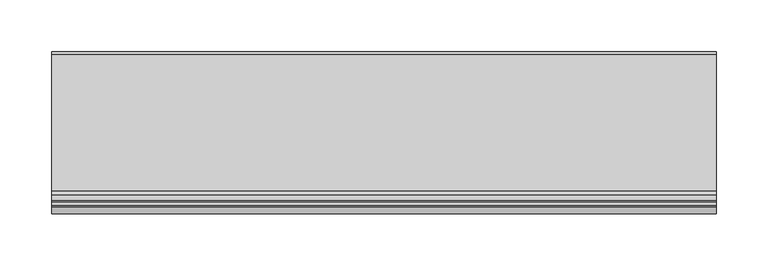
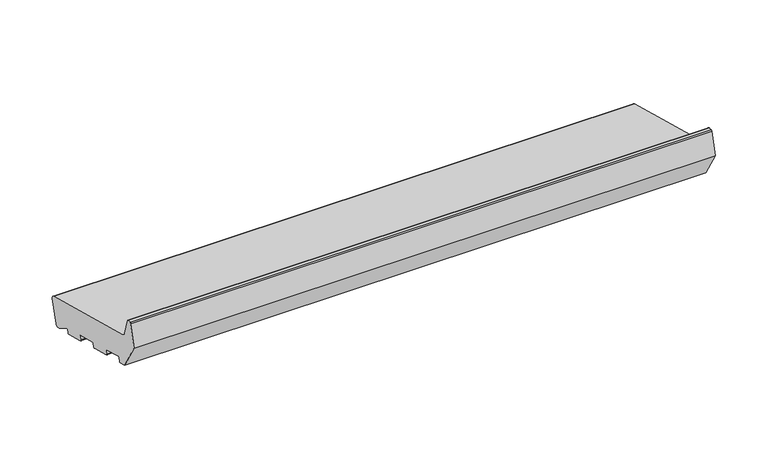
"""IFC4 building model written with IfcOpenShell, lengths in millimetres: proxy geometry."""

from ifc_helpers import new_model, si_unit, point, frame, frame_2d, origin, place, context, project, spatial, polyline, circle_curve, trimmed, segment, composite_curve, outline, extrude, source, transform, mapped, element, save


def generic_models_0fefe045(model_context):
    return source(origin(), model_context, "Body", "SweptSolid", [
        extrude(outline(composite_curve([segment(polyline([(24.4386976, 5.4869469), (21.7219201, 6.2149052), (7.5536904, 14.8023515)]), True, "CONTINUOUS"), segment(trimmed(circle_curve(frame_2d((7.0353604, 13.9471708)), 1.0), [point((7.5536904, 14.8023515))], [point((6.0694345, 14.2059898))], True, "CARTESIAN"), True, "CONTINUOUS"), segment(polyline([(6.0694345, 14.2059898), (5.1201811, 10.6633278)]), True, "CONTINUOUS"), segment(trimmed(circle_curve(frame_2d((4.1542553, 10.9221468)), 1.0), [point((5.1201811, 10.6633278))], [point((3.8954362, 9.956221))], False, "CARTESIAN"), True, "CONTINUOUS"), segment(polyline([(3.8954362, 9.956221), (-18.3208578, 15.909059)]), True, "CONTINUOUS"), segment(trimmed(circle_curve(frame_2d((-18.0620387, 16.8749849)), 1.0), [point((-18.3208578, 15.909059))], [point((-19.0279645, 17.1338039))], False, "CARTESIAN"), True, "CONTINUOUS"), segment(polyline([(-19.0279645, 17.1338039), (-17.9926884, 20.9975072)]), True, "CONTINUOUS"), segment(trimmed(circle_curve(frame_2d((-18.9586142, 21.2563263)), 1.0), [point((-17.9926884, 20.9975072))], [point((-18.6997951, 22.2222521))], True, "CARTESIAN"), True, "CONTINUOUS"), segment(polyline([(-18.6997951, 22.2222521), (-41.882015, 28.4339092)]), True, "CONTINUOUS"), segment(trimmed(circle_curve(frame_2d((-42.140834, 27.4679833)), 1.0), [point((-41.882015, 28.4339092))], [point((-43.1067598, 27.7268024))], True, "CARTESIAN"), True, "CONTINUOUS"), segment(polyline([(-43.1067598, 27.7268024), (-44.142036, 23.8630991)]), True, "CONTINUOUS"), segment(trimmed(circle_curve(frame_2d((-45.1079618, 24.1219181)), 1.0), [point((-44.142036, 23.8630991))], [point((-45.3667809, 23.1559923))], False, "CARTESIAN"), True, "CONTINUOUS"), segment(polyline([(-45.3667809, 23.1559923), (-67.5830749, 29.1088303)]), True, "CONTINUOUS"), segment(trimmed(circle_curve(frame_2d((-67.3242559, 30.0747562)), 1.0), [point((-67.5830749, 29.1088303))], [point((-68.2901817, 30.3335752))], False, "CARTESIAN"), True, "CONTINUOUS"), segment(polyline([(-68.2901817, 30.3335752), (-67.2549055, 34.1972785)]), True, "CONTINUOUS"), segment(trimmed(circle_curve(frame_2d((-68.2208313, 34.4560976)), 1.0), [point((-67.2549055, 34.1972785))], [point((-67.9620123, 35.4220234))], True, "CARTESIAN"), True, "CONTINUOUS"), segment(polyline([(-67.9620123, 35.4220234), (-91.1442321, 41.6336805)]), True, "CONTINUOUS"), segment(trimmed(circle_curve(frame_2d((-91.4030512, 40.6677546)), 1.0), [point((-91.1442321, 41.6336805))], [point((-92.368977, 40.9265737))], True, "CARTESIAN"), True, "CONTINUOUS"), segment(polyline([(-92.368977, 40.9265737), (-93.4042532, 37.0628704)]), True, "CONTINUOUS"), segment(trimmed(circle_curve(frame_2d((-94.370179, 37.3216894)), 1.0), [point((-93.4042532, 37.0628704))], [point((-94.628998, 36.3557636))], False, "CARTESIAN"), True, "CONTINUOUS"), segment(polyline([(-94.628998, 36.3557636), (-103.3223305, 38.685135), (-121.0, 69.3037568), (-114.4291321, 93.8265696)]), True, "CONTINUOUS"), segment(trimmed(circle_curve(frame_2d((-112.9802434, 93.4383411)), 1.5), [point((-114.4291321, 93.8265696))], [point((-112.9802434, 94.9383411))], False, "CARTESIAN"), True, "CONTINUOUS"), segment(polyline([(-112.9802434, 94.9383411), (-109.6368689, 94.9383411)]), True, "CONTINUOUS"), segment(trimmed(circle_curve(frame_2d((-109.6368689, 93.4383411)), 1.5), [point((-109.6368689, 94.9383411))], [point((-108.1879801, 93.8265696))], False, "CARTESIAN"), True, "CONTINUOUS"), segment(polyline([(-108.1879801, 93.8265696), (-103.4052841, 75.9773049)]), True, "CONTINUOUS"), segment(trimmed(circle_curve(frame_2d((-97.6097291, 77.5302191)), 6.0), [point((-103.4052841, 75.9773049))], [point((-99.1626434, 71.7346642))], True, "CARTESIAN"), True, "CONTINUOUS"), segment(polyline([(-99.1626434, 71.7346642), (32.7209071, 36.3965733)]), True, "CONTINUOUS"), segment(trimmed(circle_curve(frame_2d((31.94445, 33.4987958)), 3.0), [point((32.7209071, 36.3965733))], [point((34.8422274, 32.7223387))], False, "CARTESIAN"), True, "CONTINUOUS"), segment(polyline([(34.8422274, 32.7223387), (28.1129323, 7.6082672)]), True, "CONTINUOUS"), segment(trimmed(circle_curve(frame_2d((25.2151548, 8.3847244)), 3.0), [point((28.1129323, 7.6082672))], [point((24.4386976, 5.4869469))], False, "CARTESIAN"), True, "CONTINUOUS")], self_intersect=False)), frame((0.0, 0.0, 0.0), z_axis=(1.0, 0.0, 0.0), x_axis=(0.0, 1.0, 0.0)), (0.0, 0.0, 1.0), 640.0),
    ])


if __name__ == "__main__":
    model = new_model("IFC4")
    model_context = context("Model", 3, world=origin())
    ifc_project = project(units=[si_unit("LENGTHUNIT", "METRE", prefix="MILLI")], contexts=[model_context])
    site = spatial("IfcSite", under=ifc_project)
    building = spatial("IfcBuilding", under=site)
    placement = place(None, origin())
    generic_models_shape = generic_models_0fefe045(model_context)
    element("IfcBuildingElementProxy", 1, Name="Generic Models", at=placement, inside=building, context=model_context, shape_type="MappedRepresentation", body=[
        mapped(generic_models_shape, transform((0.0, 0.0, 0.0), x_axis=(1.0, 0.0, 0.0), y_axis=(0.0, 1.0, 0.0), z_axis=(0.0, 0.0, 1.0))),
    ])
    save(model, "model.ifc")
